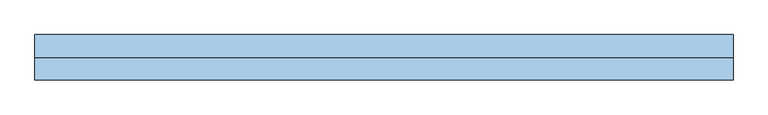
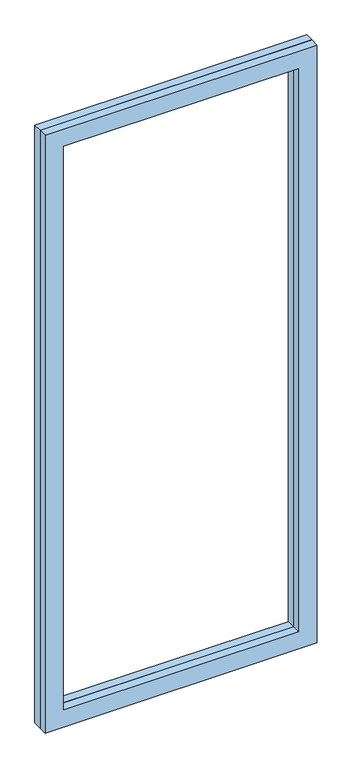
"""IFC4 building model written with IfcOpenShell, lengths in millimetres: window geometry."""

from ifc_helpers import new_model, si_unit, frame, origin, place, context, project, spatial, polyline, outline, extrude, source, transform, mapped, element, save


def window_070669c3(model_context):
    return source(origin(), model_context, "Body", "SweptSolid", [
        extrude(outline(polyline([(2399.5, -516.5), (0.0, -516.5), (0.0, 516.5), (2399.5, 516.5), (2399.5, -516.5)]), holes=[polyline([(70.0, -446.5), (2329.5, -446.5), (2329.5, 446.5), (70.0, 446.5), (70.0, -446.5)])]), frame((0.0, 58.5, 0.0), z_axis=(0.0, 1.0, 0.0), x_axis=(0.0, 0.0, 1.0)), (0.0, 0.0, 1.0), 33.5),
        extrude(outline(polyline([(2399.5, -516.5), (0.0, -516.5), (0.0, 516.5), (2399.5, 516.5), (2399.5, -516.5)]), holes=[polyline([(70.0, -446.5), (2329.5, -446.5), (2329.5, 446.5), (70.0, 446.5), (70.0, -446.5)])]), frame((0.0, 25.0, 0.0), z_axis=(0.0, 1.0, 0.0), x_axis=(0.0, 0.0, 1.0)), (0.0, 0.0, 1.0), 33.5),
    ])


if __name__ == "__main__":
    model = new_model("IFC4")
    model_context = context("Model", 3, world=origin())
    ifc_project = project(units=[si_unit("LENGTHUNIT", "METRE", prefix="MILLI")], contexts=[model_context])
    site = spatial("IfcSite", under=ifc_project)
    building = spatial("IfcBuilding", under=site)
    placement = place(None, origin())
    window_shape = window_070669c3(model_context)
    element("IfcWindow", 1, at=placement, inside=building, context=model_context, shape_type="MappedRepresentation", body=[
        mapped(window_shape, transform((0.0, 0.0, 0.0), x_axis=(1.0, 0.0, 0.0), y_axis=(0.0, 1.0, 0.0), z_axis=(0.0, 0.0, 1.0))),
    ])
    save(model, "model.ifc")
